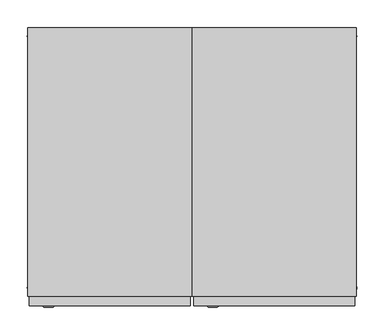
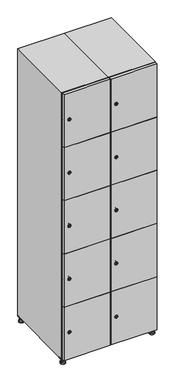
"""IFC4 building model written with IfcOpenShell, lengths in millimetres: furniture geometry."""

from ifc_helpers import new_model, si_unit, point, frame, frame_2d, origin, origin_with_axes, place, context, project, spatial, polyline, circle_curve, trimmed, segment, composite_curve, outline, extrude, faceted_brep, source, transform, mapped, element, save
from ifc_brep_helpers import plane_surface, revolved_surface, advanced_brep


def furniture_c391a74f(model_context):
    return source(origin(), model_context, "Body", "SolidModel", [
        extrude(outline(polyline([(400.0, 245.0), (400.0, 215.0), (370.0, 215.0), (370.0, 245.0), (400.0, 245.0)]), holes=[polyline([(398.0, 243.0), (372.0, 243.0), (372.0, 217.0), (398.0, 217.0), (398.0, 243.0)])]), frame((0.0, 0.0, 28.5), z_axis=(0.0, 0.0, 1.0), x_axis=(1.0, 0.0, 0.0)), (0.0, 0.0, 1.0), 6.5),
        extrude(outline(polyline([(370.0, -245.0), (370.0, -215.0), (400.0, -215.0), (400.0, -245.0), (370.0, -245.0)]), holes=[polyline([(372.0, -243.0), (398.0, -243.0), (398.0, -217.0), (372.0, -217.0), (372.0, -243.0)])]), frame((0.0, 0.0, 28.5), z_axis=(0.0, 0.0, 1.0), x_axis=(1.0, 0.0, 0.0)), (0.0, 0.0, 1.0), 6.5),
        extrude(outline(polyline([(-170.0, 245.0), (-170.0, 215.0), (-200.0, 215.0), (-200.0, 245.0), (-170.0, 245.0)]), holes=[polyline([(-172.0, 243.0), (-198.0, 243.0), (-198.0, 217.0), (-172.0, 217.0), (-172.0, 243.0)])]), frame((0.0, 0.0, 28.5), z_axis=(0.0, 0.0, 1.0), x_axis=(1.0, 0.0, 0.0)), (0.0, 0.0, 1.0), 6.5),
        extrude(outline(polyline([(-170.0, -215.0), (-170.0, -245.0), (-200.0, -245.0), (-200.0, -215.0), (-170.0, -215.0)]), holes=[polyline([(-198.0, -243.0), (-172.0, -243.0), (-172.0, -217.0), (-198.0, -217.0), (-198.0, -243.0)])]), frame((0.0, 0.0, 28.5), z_axis=(0.0, 0.0, 1.0), x_axis=(1.0, 0.0, 0.0)), (0.0, 0.0, 1.0), 6.5),
        extrude(outline(composite_curve([segment(trimmed(circle_curve(frame_2d((-185.0, 230.0)), 5.0), [point((-180.0, 230.0))], [point((-190.0, 230.0))], False, "CARTESIAN"), True, "CONTINUOUS"), segment(trimmed(circle_curve(frame_2d((-185.0, 230.0)), 5.0), [point((-190.0, 230.0))], [point((-180.0, 230.0))], False, "CARTESIAN"), True, "CONTINUOUS")], self_intersect=False)), frame((0.0, 0.0, 19.6), z_axis=(0.0, 0.0, 1.0), x_axis=(1.0, 0.0, 0.0)), (0.0, 0.0, 1.0), 15.4),
        extrude(outline(composite_curve([segment(trimmed(circle_curve(frame_2d((-185.0, -230.0)), 5.0), [point((-180.0, -230.0))], [point((-190.0, -230.0))], False, "CARTESIAN"), True, "CONTINUOUS"), segment(trimmed(circle_curve(frame_2d((-185.0, -230.0)), 5.0), [point((-190.0, -230.0))], [point((-180.0, -230.0))], False, "CARTESIAN"), True, "CONTINUOUS")], self_intersect=False)), frame((0.0, 0.0, 19.6), z_axis=(0.0, 0.0, 1.0), x_axis=(1.0, 0.0, 0.0)), (0.0, 0.0, 1.0), 15.4),
        extrude(outline(composite_curve([segment(trimmed(circle_curve(frame_2d((385.0, 230.0)), 5.0), [point((390.0, 230.0))], [point((380.0, 230.0))], False, "CARTESIAN"), True, "CONTINUOUS"), segment(trimmed(circle_curve(frame_2d((385.0, 230.0)), 5.0), [point((380.0, 230.0))], [point((390.0, 230.0))], False, "CARTESIAN"), True, "CONTINUOUS")], self_intersect=False)), frame((0.0, 0.0, 19.6), z_axis=(0.0, 0.0, 1.0), x_axis=(1.0, 0.0, 0.0)), (0.0, 0.0, 1.0), 15.4),
        extrude(outline(polyline([(373.4529946, 230.0), (379.2264973, 240.0), (390.7735027, 240.0), (396.5470054, 230.0), (390.7735027, 220.0), (379.2264973, 220.0), (373.4529946, 230.0)])), frame((0.0, 0.0, 13.6), z_axis=(0.0, 0.0, 1.0), x_axis=(1.0, 0.0, 0.0)), (0.0, 0.0, 1.0), 6.0),
        extrude(outline(composite_curve([segment(trimmed(circle_curve(frame_2d((385.0, -230.0)), 5.0), [point((390.0, -230.0))], [point((380.0, -230.0))], False, "CARTESIAN"), True, "CONTINUOUS"), segment(trimmed(circle_curve(frame_2d((385.0, -230.0)), 5.0), [point((380.0, -230.0))], [point((390.0, -230.0))], False, "CARTESIAN"), True, "CONTINUOUS")], self_intersect=False)), frame((0.0, 0.0, 19.6), z_axis=(0.0, 0.0, 1.0), x_axis=(1.0, 0.0, 0.0)), (0.0, 0.0, 1.0), 15.4),
        extrude(outline(polyline([(373.4529946, -230.0), (379.2264973, -220.0), (390.7735027, -220.0), (396.5470054, -230.0), (390.7735027, -240.0), (379.2264973, -240.0), (373.4529946, -230.0)])), frame((0.0, 0.0, 13.6), z_axis=(0.0, 0.0, 1.0), x_axis=(1.0, 0.0, 0.0)), (0.0, 0.0, 1.0), 6.0),
        extrude(outline(composite_curve([segment(trimmed(circle_curve(frame_2d((385.0, 230.0)), 5.0), [point((390.0, 230.0))], [point((380.0, 230.0))], False, "CARTESIAN"), True, "CONTINUOUS"), segment(trimmed(circle_curve(frame_2d((385.0, 230.0)), 5.0), [point((380.0, 230.0))], [point((390.0, 230.0))], False, "CARTESIAN"), True, "CONTINUOUS")], self_intersect=False)), frame((0.0, 0.0, 12.1), z_axis=(0.0, 0.0, 1.0), x_axis=(1.0, 0.0, 0.0)), (0.0, 0.0, 1.0), 1.5),
        extrude(outline(composite_curve([segment(trimmed(circle_curve(frame_2d((385.0, -230.0)), 5.0), [point((390.0, -230.0))], [point((380.0, -230.0))], False, "CARTESIAN"), True, "CONTINUOUS"), segment(trimmed(circle_curve(frame_2d((385.0, -230.0)), 5.0), [point((380.0, -230.0))], [point((390.0, -230.0))], False, "CARTESIAN"), True, "CONTINUOUS")], self_intersect=False)), frame((0.0, 0.0, 12.1), z_axis=(0.0, 0.0, 1.0), x_axis=(1.0, 0.0, 0.0)), (0.0, 0.0, 1.0), 1.5),
        extrude(outline(polyline([(-196.5470054, 230.0), (-190.7735027, 240.0), (-179.2264973, 240.0), (-173.4529946, 230.0), (-179.2264973, 220.0), (-190.7735027, 220.0), (-196.5470054, 230.0)])), frame((0.0, 0.0, 13.6), z_axis=(0.0, 0.0, 1.0), x_axis=(1.0, 0.0, 0.0)), (0.0, 0.0, 1.0), 6.0),
        extrude(outline(polyline([(-196.5470054, -230.0), (-190.7735027, -220.0), (-179.2264973, -220.0), (-173.4529946, -230.0), (-179.2264973, -240.0), (-190.7735027, -240.0), (-196.5470054, -230.0)])), frame((0.0, 0.0, 13.6), z_axis=(0.0, 0.0, 1.0), x_axis=(1.0, 0.0, 0.0)), (0.0, 0.0, 1.0), 6.0),
        extrude(outline(composite_curve([segment(trimmed(circle_curve(frame_2d((-185.0, 230.0)), 5.0), [point((-185.0, 235.0))], [point((-185.0, 225.0))], False, "CARTESIAN"), True, "CONTINUOUS"), segment(trimmed(circle_curve(frame_2d((-185.0, 230.0)), 5.0), [point((-185.0, 225.0))], [point((-185.0, 235.0))], False, "CARTESIAN"), True, "CONTINUOUS")], self_intersect=False)), frame((0.0, 0.0, 12.1), z_axis=(0.0, 0.0, 1.0), x_axis=(1.0, 0.0, 0.0)), (0.0, 0.0, 1.0), 1.5),
        extrude(outline(composite_curve([segment(trimmed(circle_curve(frame_2d((-185.0, -230.0)), 5.0), [point((-180.0, -230.0))], [point((-190.0, -230.0))], False, "CARTESIAN"), True, "CONTINUOUS"), segment(trimmed(circle_curve(frame_2d((-185.0, -230.0)), 5.0), [point((-190.0, -230.0))], [point((-180.0, -230.0))], False, "CARTESIAN"), True, "CONTINUOUS")], self_intersect=False)), frame((0.0, 0.0, 12.1), z_axis=(0.0, 0.0, 1.0), x_axis=(1.0, 0.0, 0.0)), (0.0, 0.0, 1.0), 1.5),
        extrude(outline(composite_curve([segment(trimmed(circle_curve(frame_2d((385.0, 230.0)), 15.75), [point((400.75, 230.0))], [point((369.25, 230.0))], False, "CARTESIAN"), True, "CONTINUOUS"), segment(trimmed(circle_curve(frame_2d((385.0, 230.0)), 15.75), [point((369.25, 230.0))], [point((400.75, 230.0))], False, "CARTESIAN"), True, "CONTINUOUS")], self_intersect=False)), origin_with_axes(), (0.0, 0.0, 1.0), 5.1),
        extrude(outline(composite_curve([segment(trimmed(circle_curve(frame_2d((385.0, -230.0)), 15.75), [point((385.0, -214.25))], [point((385.0, -245.75))], False, "CARTESIAN"), True, "CONTINUOUS"), segment(trimmed(circle_curve(frame_2d((385.0, -230.0)), 15.75), [point((385.0, -245.75))], [point((385.0, -214.25))], False, "CARTESIAN"), True, "CONTINUOUS")], self_intersect=False)), origin_with_axes(), (0.0, 0.0, 1.0), 5.1),
        extrude(outline(composite_curve([segment(trimmed(circle_curve(frame_2d((-185.0, -230.0)), 15.75), [point((-169.25, -230.0))], [point((-200.75, -230.0))], False, "CARTESIAN"), True, "CONTINUOUS"), segment(trimmed(circle_curve(frame_2d((-185.0, -230.0)), 15.75), [point((-200.75, -230.0))], [point((-169.25, -230.0))], False, "CARTESIAN"), True, "CONTINUOUS")], self_intersect=False)), origin_with_axes(), (0.0, 0.0, 1.0), 5.1),
        extrude(outline(composite_curve([segment(trimmed(circle_curve(frame_2d((-185.0, 230.0)), 15.75), [point((-169.25, 230.0))], [point((-200.75, 230.0))], False, "CARTESIAN"), True, "CONTINUOUS"), segment(trimmed(circle_curve(frame_2d((-185.0, 230.0)), 15.75), [point((-200.75, 230.0))], [point((-169.25, 230.0))], False, "CARTESIAN"), True, "CONTINUOUS")], self_intersect=False)), origin_with_axes(), (0.0, 0.0, 1.0), 5.1),
        advanced_brep(
        [(-185.0, 239.5, 12.1), (-185.0, 220.5, 12.1), (-185.0, 214.25, 5.1), (-185.0, 245.75, 5.1)],
        [
            (0, 1, circle_curve(frame((-185.0, 230.0, 12.1), z_axis=(0.0, 0.0, -1.0), x_axis=(0.0, 1.0, 0.0)), 9.5)),
            (1, 2),
            (2, 3, circle_curve(frame((-185.0, 230.0, 5.1), z_axis=(0.0, 0.0, 1.0), x_axis=(0.0, 1.0, 0.0)), 15.75)),
            (3, 0),
            (1, 0, circle_curve(frame((-185.0, 230.0, 12.1), z_axis=(0.0, 0.0, -1.0), x_axis=(0.0, -1.0, 0.0)), 9.5)),
            (3, 2, circle_curve(frame((-185.0, 230.0, 5.1), z_axis=(0.0, 0.0, 1.0), x_axis=(0.0, -1.0, 0.0)), 15.75)),
        ],
        [
            revolved_surface(polyline([(-185.0, 220.5, 12.099999999999998), (-185.0, 214.25, 5.099999999999998)]), (-185.0, 230.0, 22.74), (0.0, 0.0, -1.0)),
            revolved_surface(polyline([(-185.0, 239.5, 12.099999999999998), (-185.0, 245.75, 5.099999999999998)]), (-185.0, 230.0, 22.74), (0.0, 0.0, -1.0)),
            plane_surface(frame((-185.0, 230.0, 5.1), z_axis=(0.0, 0.0, -1.0), x_axis=(1.0, 0.0, 0.0))),
            plane_surface(frame((-185.0, 230.0, 12.1), z_axis=(0.0, 0.0, 1.0), x_axis=(1.0, 0.0, 0.0))),
        ],
        [
            (0, [[1, 2, 3, 4]]),
            (1, [[5, -4, 6, -2]]),
            (2, [[-3, -6]]),
            (3, [[-5, -1]]),
        ],
    ),
        advanced_brep(
        [(385.0, 239.5, 12.1), (385.0, 220.5, 12.1), (385.0, 214.25, 5.1), (385.0, 245.75, 5.1)],
        [
            (0, 1, circle_curve(frame((385.0, 230.0, 12.1), z_axis=(0.0, 0.0, -1.0), x_axis=(0.0, 1.0, 0.0)), 9.5)),
            (1, 2),
            (2, 3, circle_curve(frame((385.0, 230.0, 5.1), z_axis=(0.0, 0.0, 1.0), x_axis=(0.0, 1.0, 0.0)), 15.75)),
            (3, 0),
            (1, 0, circle_curve(frame((385.0, 230.0, 12.1), z_axis=(0.0, 0.0, -1.0), x_axis=(0.0, -1.0, 0.0)), 9.5)),
            (3, 2, circle_curve(frame((385.0, 230.0, 5.1), z_axis=(0.0, 0.0, 1.0), x_axis=(0.0, -1.0, 0.0)), 15.75)),
        ],
        [
            revolved_surface(polyline([(385.0, 220.5, 12.099999999999998), (385.0, 214.25, 5.099999999999998)]), (385.0, 230.0, 22.74), (0.0, 0.0, -1.0)),
            revolved_surface(polyline([(385.0, 239.5, 12.099999999999998), (385.0, 245.75, 5.099999999999998)]), (385.0, 230.0, 22.74), (0.0, 0.0, -1.0)),
            plane_surface(frame((385.0, 230.0, 5.1), z_axis=(0.0, 0.0, -1.0), x_axis=(1.0, 0.0, 0.0))),
            plane_surface(frame((385.0, 230.0, 12.1), z_axis=(0.0, 0.0, 1.0), x_axis=(1.0, 0.0, 0.0))),
        ],
        [
            (0, [[1, 2, 3, 4]]),
            (1, [[5, -4, 6, -2]]),
            (2, [[-3, -6]]),
            (3, [[-5, -1]]),
        ],
    ),
        advanced_brep(
        [(400.75, -230.0, 5.1), (369.25, -230.0, 5.1), (375.5, -230.0, 12.1), (394.5, -230.0, 12.1)],
        [
            (0, 1, circle_curve(frame((385.0, -230.0, 5.1), z_axis=(0.0, 0.0, 1.0), x_axis=(1.0, 0.0, 0.0)), 15.75)),
            (1, 2),
            (2, 3, circle_curve(frame((385.0, -230.0, 12.1), z_axis=(0.0, 0.0, -1.0), x_axis=(1.0, 0.0, 0.0)), 9.5)),
            (3, 0),
            (1, 0, circle_curve(frame((385.0, -230.0, 5.1), z_axis=(0.0, 0.0, 1.0), x_axis=(-1.0, 0.0, 0.0)), 15.75)),
            (3, 2, circle_curve(frame((385.0, -230.0, 12.1), z_axis=(0.0, 0.0, -1.0), x_axis=(-1.0, 0.0, 0.0)), 9.5)),
        ],
        [
            revolved_surface(polyline([(394.5, -230.0, 12.099999999999998), (400.75, -230.0, 5.099999999999998)]), (385.0, -230.0, 22.74), (0.0, 0.0, -1.0)),
            revolved_surface(polyline([(375.5, -230.0, 12.099999999999998), (369.25, -230.0, 5.099999999999998)]), (385.0, -230.0, 22.74), (0.0, 0.0, -1.0)),
            plane_surface(frame((385.0, -230.0, 12.1), z_axis=(0.0, 0.0, 1.0), x_axis=(0.0, 1.0, 0.0))),
            plane_surface(frame((385.0, -230.0, 5.1), z_axis=(0.0, 0.0, -1.0), x_axis=(0.0, 1.0, 0.0))),
        ],
        [
            (0, [[1, 2, 3, 4]]),
            (1, [[5, -4, 6, -2]]),
            (2, [[-3, -6]]),
            (3, [[-5, -1]]),
        ],
    ),
        advanced_brep(
        [(-169.25, -230.0, 5.1), (-200.75, -230.0, 5.1), (-194.5, -230.0, 12.1), (-175.5, -230.0, 12.1)],
        [
            (0, 1, circle_curve(frame((-185.0, -230.0, 5.1), z_axis=(0.0, 0.0, 1.0), x_axis=(1.0, 0.0, 0.0)), 15.75)),
            (1, 2),
            (2, 3, circle_curve(frame((-185.0, -230.0, 12.1), z_axis=(0.0, 0.0, -1.0), x_axis=(1.0, 0.0, 0.0)), 9.5)),
            (3, 0),
            (1, 0, circle_curve(frame((-185.0, -230.0, 5.1), z_axis=(0.0, 0.0, 1.0), x_axis=(-1.0, 0.0, 0.0)), 15.75)),
            (3, 2, circle_curve(frame((-185.0, -230.0, 12.1), z_axis=(0.0, 0.0, -1.0), x_axis=(-1.0, 0.0, 0.0)), 9.5)),
        ],
        [
            revolved_surface(polyline([(-175.5, -230.0, 12.099999999999998), (-169.25, -230.0, 5.099999999999998)]), (-185.0, -230.0, 22.74), (0.0, 0.0, -1.0)),
            revolved_surface(polyline([(-194.5, -230.0, 12.099999999999998), (-200.75, -230.0, 5.099999999999998)]), (-185.0, -230.0, 22.74), (0.0, 0.0, -1.0)),
            plane_surface(frame((-185.0, -230.0, 12.1), z_axis=(0.0, 0.0, 1.0), x_axis=(0.0, 1.0, 0.0))),
            plane_surface(frame((-185.0, -230.0, 5.1), z_axis=(0.0, 0.0, -1.0), x_axis=(0.0, 1.0, 0.0))),
        ],
        [
            (0, [[1, 2, 3, 4]]),
            (1, [[5, -4, 6, -2]]),
            (2, [[-3, -6]]),
            (3, [[-5, -1]]),
        ],
    ),
        extrude(outline(composite_curve([segment(trimmed(circle_curve(frame_2d((217.4, 111.2010534)), 7.0), [point((224.4, 111.2010534))], [point((210.4, 111.2010534))], False, "CARTESIAN"), True, "CONTINUOUS"), segment(polyline([(210.4, 111.2010534), (210.4, 139.2010534)]), True, "CONTINUOUS"), segment(trimmed(circle_curve(frame_2d((217.4, 139.2010534)), 7.0), [point((210.4, 139.2010534))], [point((224.4, 139.2010534))], False, "CARTESIAN"), True, "CONTINUOUS"), segment(polyline([(224.4, 139.2010534), (224.4, 111.2010534)]), True, "CONTINUOUS")], self_intersect=False)), frame((0.0, -245.0, 0.0), z_axis=(0.0, 1.0, 0.0), x_axis=(0.0, 0.0, 1.0)), (0.0, 0.0, 1.0), 2.0),
        advanced_brep(
        [(146.5, -265.2, 217.4), (129.5, -265.2, 217.4), (133.0, -265.2, 216.15), (133.0, -265.2, 218.65), (143.0, -265.2, 218.65), (143.0, -265.2, 216.15), (148.5, -263.0, 217.4), (127.5, -263.0, 217.4), (133.0, -263.0, 218.65), (133.0, -263.0, 216.15), (143.0, -263.0, 216.15), (143.0, -263.0, 218.65)],
        [
            (0, 1, circle_curve(frame((138.0, -265.2, 217.4), z_axis=(0.0, -1.0, 0.0), x_axis=(1.0, 0.0, 0.0)), 8.5)),
            (1, 0, circle_curve(frame((138.0, -265.2, 217.4), z_axis=(0.0, -1.0, 0.0), x_axis=(-1.0, 0.0, 0.0)), 8.5)),
            (2, 3),
            (3, 4),
            (4, 5),
            (5, 2),
            (6, 7, circle_curve(frame((138.0, -263.0, 217.4), z_axis=(0.0, 1.0, 0.0), x_axis=(-1.0, 0.0, 0.0)), 10.5)),
            (7, 6, circle_curve(frame((138.0, -263.0, 217.4), z_axis=(0.0, 1.0, 0.0), x_axis=(1.0, 0.0, 0.0)), 10.5)),
            (8, 9),
            (9, 10),
            (10, 11),
            (11, 8),
            (0, 6),
            (7, 1),
            (8, 3),
            (2, 9),
            (11, 4),
            (10, 5),
        ],
        [
            plane_surface(frame((138.0, -265.2, 217.4), z_axis=(0.0, -1.0, 0.0), x_axis=(0.0, 0.0, 1.0))),
            plane_surface(frame((138.0, -263.0, 217.4), z_axis=(0.0, 1.0, 0.0), x_axis=(0.0, 0.0, 1.0))),
            revolved_surface(polyline([(146.5, -265.2, 217.4), (148.5, -263.0, 217.4)]), (138.0, -274.55, 217.4), (0.0, 1.0, 0.0)),
            revolved_surface(polyline([(129.5, -265.2, 217.4), (127.5, -263.0, 217.4)]), (138.0, -274.55, 217.4), (0.0, 1.0, 0.0)),
            plane_surface(frame((133.0, -263.0, 216.15), z_axis=(1.0, 0.0, 0.0), x_axis=(0.0, -1.0, 0.0))),
            plane_surface(frame((133.0, -263.0, 218.65), z_axis=(0.0, 0.0, -1.0), x_axis=(0.0, -1.0, 0.0))),
            plane_surface(frame((143.0, -263.0, 218.65), z_axis=(-1.0, 0.0, 0.0), x_axis=(0.0, -1.0, 0.0))),
            plane_surface(frame((143.0, -263.0, 216.15), z_axis=(0.0, 0.0, 1.0), x_axis=(0.0, -1.0, 0.0))),
        ],
        [
            (0, [[1, 2], [3, 4, 5, 6]]),
            (1, [[7, 8], [9, 10, 11, 12]]),
            (2, [[-1, 13, -8, 14]]),
            (3, [[-2, -14, -7, -13]]),
            (4, [[15, -3, 16, -9]]),
            (5, [[-15, -12, 17, -4]]),
            (6, [[-17, -11, 18, -5]]),
            (7, [[-16, -6, -18, -10]]),
        ],
    ),
        extrude(outline(composite_curve([segment(trimmed(circle_curve(frame_2d((576.2, 111.2010534)), 7.0), [point((583.2, 111.2010534))], [point((569.2, 111.2010534))], False, "CARTESIAN"), True, "CONTINUOUS"), segment(polyline([(569.2, 111.2010534), (569.2, 139.2010534)]), True, "CONTINUOUS"), segment(trimmed(circle_curve(frame_2d((576.2, 139.2010534)), 7.0), [point((569.2, 139.2010534))], [point((583.2, 139.2010534))], False, "CARTESIAN"), True, "CONTINUOUS"), segment(polyline([(583.2, 139.2010534), (583.2, 111.2010534)]), True, "CONTINUOUS")], self_intersect=False)), frame((0.0, -245.0, 0.0), z_axis=(0.0, 1.0, 0.0), x_axis=(0.0, 0.0, 1.0)), (0.0, 0.0, 1.0), 2.0),
        advanced_brep(
        [(146.5, -265.2, 576.2), (129.5, -265.2, 576.2), (133.0, -265.2, 574.95), (133.0, -265.2, 577.45), (143.0, -265.2, 577.45), (143.0, -265.2, 574.95), (148.5, -263.0, 576.2), (127.5, -263.0, 576.2), (133.0, -263.0, 577.45), (133.0, -263.0, 574.95), (143.0, -263.0, 574.95), (143.0, -263.0, 577.45)],
        [
            (0, 1, circle_curve(frame((138.0, -265.2, 576.2), z_axis=(0.0, -1.0, 0.0), x_axis=(1.0, 0.0, 0.0)), 8.5)),
            (1, 0, circle_curve(frame((138.0, -265.2, 576.2), z_axis=(0.0, -1.0, 0.0), x_axis=(-1.0, 0.0, 0.0)), 8.5)),
            (2, 3),
            (3, 4),
            (4, 5),
            (5, 2),
            (6, 7, circle_curve(frame((138.0, -263.0, 576.2), z_axis=(0.0, 1.0, 0.0), x_axis=(-1.0, 0.0, 0.0)), 10.5)),
            (7, 6, circle_curve(frame((138.0, -263.0, 576.2), z_axis=(0.0, 1.0, 0.0), x_axis=(1.0, 0.0, 0.0)), 10.5)),
            (8, 9),
            (9, 10),
            (10, 11),
            (11, 8),
            (0, 6),
            (7, 1),
            (8, 3),
            (2, 9),
            (11, 4),
            (10, 5),
        ],
        [
            plane_surface(frame((138.0, -265.2, 576.2), z_axis=(0.0, -1.0, 0.0), x_axis=(0.0, 0.0, 1.0))),
            plane_surface(frame((138.0, -263.0, 576.2), z_axis=(0.0, 1.0, 0.0), x_axis=(0.0, 0.0, 1.0))),
            revolved_surface(polyline([(146.5, -265.2, 576.2), (148.5, -263.0, 576.2)]), (138.0, -274.55, 576.2), (0.0, 1.0, 0.0)),
            revolved_surface(polyline([(129.5, -265.2, 576.2), (127.5, -263.0, 576.2)]), (138.0, -274.55, 576.2), (0.0, 1.0, 0.0)),
            plane_surface(frame((133.0, -263.0, 574.95), z_axis=(1.0, 0.0, 0.0), x_axis=(0.0, -1.0, 0.0))),
            plane_surface(frame((133.0, -263.0, 577.45), z_axis=(0.0, 0.0, -1.0), x_axis=(0.0, -1.0, 0.0))),
            plane_surface(frame((143.0, -263.0, 577.45), z_axis=(-1.0, 0.0, 0.0), x_axis=(0.0, -1.0, 0.0))),
            plane_surface(frame((143.0, -263.0, 574.95), z_axis=(0.0, 0.0, 1.0), x_axis=(0.0, -1.0, 0.0))),
        ],
        [
            (0, [[1, 2], [3, 4, 5, 6]]),
            (1, [[7, 8], [9, 10, 11, 12]]),
            (2, [[-1, 13, -8, 14]]),
            (3, [[-2, -14, -7, -13]]),
            (4, [[15, -3, 16, -9]]),
            (5, [[-15, -12, 17, -4]]),
            (6, [[-17, -11, 18, -5]]),
            (7, [[-16, -6, -18, -10]]),
        ],
    ),
        extrude(outline(composite_curve([segment(trimmed(circle_curve(frame_2d((935.0, 111.2010534)), 7.0), [point((942.0, 111.2010534))], [point((928.0, 111.2010534))], False, "CARTESIAN"), True, "CONTINUOUS"), segment(polyline([(928.0, 111.2010534), (928.0, 139.2010534)]), True, "CONTINUOUS"), segment(trimmed(circle_curve(frame_2d((935.0, 139.2010534)), 7.0), [point((928.0, 139.2010534))], [point((942.0, 139.2010534))], False, "CARTESIAN"), True, "CONTINUOUS"), segment(polyline([(942.0, 139.2010534), (942.0, 111.2010534)]), True, "CONTINUOUS")], self_intersect=False)), frame((0.0, -245.0, 0.0), z_axis=(0.0, 1.0, 0.0), x_axis=(0.0, 0.0, 1.0)), (0.0, 0.0, 1.0), 2.0),
        advanced_brep(
        [(146.5, -265.2, 935.0), (129.5, -265.2, 935.0), (133.0, -265.2, 933.75), (133.0, -265.2, 936.25), (143.0, -265.2, 936.25), (143.0, -265.2, 933.75), (148.5, -263.0, 935.0), (127.5, -263.0, 935.0), (133.0, -263.0, 936.25), (133.0, -263.0, 933.75), (143.0, -263.0, 933.75), (143.0, -263.0, 936.25)],
        [
            (0, 1, circle_curve(frame((138.0, -265.2, 935.0), z_axis=(0.0, -1.0, 0.0), x_axis=(1.0, 0.0, 0.0)), 8.5)),
            (1, 0, circle_curve(frame((138.0, -265.2, 935.0), z_axis=(0.0, -1.0, 0.0), x_axis=(-1.0, 0.0, 0.0)), 8.5)),
            (2, 3),
            (3, 4),
            (4, 5),
            (5, 2),
            (6, 7, circle_curve(frame((138.0, -263.0, 935.0), z_axis=(0.0, 1.0, 0.0), x_axis=(-1.0, 0.0, 0.0)), 10.5)),
            (7, 6, circle_curve(frame((138.0, -263.0, 935.0), z_axis=(0.0, 1.0, 0.0), x_axis=(1.0, 0.0, 0.0)), 10.5)),
            (8, 9),
            (9, 10),
            (10, 11),
            (11, 8),
            (0, 6),
            (7, 1),
            (8, 3),
            (2, 9),
            (11, 4),
            (10, 5),
        ],
        [
            plane_surface(frame((138.0, -265.2, 935.0), z_axis=(0.0, -1.0, 0.0), x_axis=(0.0, 0.0, 1.0))),
            plane_surface(frame((138.0, -263.0, 935.0), z_axis=(0.0, 1.0, 0.0), x_axis=(0.0, 0.0, 1.0))),
            revolved_surface(polyline([(146.5, -265.2, 935.0), (148.5, -263.0, 935.0)]), (138.0, -274.55, 935.0), (0.0, 1.0, 0.0)),
            revolved_surface(polyline([(129.5, -265.2, 935.0), (127.5, -263.0, 935.0)]), (138.0, -274.55, 935.0), (0.0, 1.0, 0.0)),
            plane_surface(frame((133.0, -263.0, 933.75), z_axis=(1.0, 0.0, 0.0), x_axis=(0.0, -1.0, 0.0))),
            plane_surface(frame((133.0, -263.0, 936.25), z_axis=(0.0, 0.0, -1.0), x_axis=(0.0, -1.0, 0.0))),
            plane_surface(frame((143.0, -263.0, 936.25), z_axis=(-1.0, 0.0, 0.0), x_axis=(0.0, -1.0, 0.0))),
            plane_surface(frame((143.0, -263.0, 933.75), z_axis=(0.0, 0.0, 1.0), x_axis=(0.0, -1.0, 0.0))),
        ],
        [
            (0, [[1, 2], [3, 4, 5, 6]]),
            (1, [[7, 8], [9, 10, 11, 12]]),
            (2, [[-1, 13, -8, 14]]),
            (3, [[-2, -14, -7, -13]]),
            (4, [[15, -3, 16, -9]]),
            (5, [[-15, -12, 17, -4]]),
            (6, [[-17, -11, 18, -5]]),
            (7, [[-16, -6, -18, -10]]),
        ],
    ),
        extrude(outline(composite_curve([segment(trimmed(circle_curve(frame_2d((1293.8, 111.2010534)), 7.0), [point((1300.8, 111.2010534))], [point((1286.8, 111.2010534))], False, "CARTESIAN"), True, "CONTINUOUS"), segment(polyline([(1286.8, 111.2010534), (1286.8, 139.2010534)]), True, "CONTINUOUS"), segment(trimmed(circle_curve(frame_2d((1293.8, 139.2010534)), 7.0), [point((1286.8, 139.2010534))], [point((1300.8, 139.2010534))], False, "CARTESIAN"), True, "CONTINUOUS"), segment(polyline([(1300.8, 139.2010534), (1300.8, 111.2010534)]), True, "CONTINUOUS")], self_intersect=False)), frame((0.0, -245.0, 0.0), z_axis=(0.0, 1.0, 0.0), x_axis=(0.0, 0.0, 1.0)), (0.0, 0.0, 1.0), 2.0),
        advanced_brep(
        [(146.5, -265.2, 1293.8), (129.5, -265.2, 1293.8), (133.0, -265.2, 1292.55), (133.0, -265.2, 1295.05), (143.0, -265.2, 1295.05), (143.0, -265.2, 1292.55), (148.5, -263.0, 1293.8), (127.5, -263.0, 1293.8), (133.0, -263.0, 1295.05), (133.0, -263.0, 1292.55), (143.0, -263.0, 1292.55), (143.0, -263.0, 1295.05)],
        [
            (0, 1, circle_curve(frame((138.0, -265.2, 1293.8), z_axis=(0.0, -1.0, 0.0), x_axis=(1.0, 0.0, 0.0)), 8.5)),
            (1, 0, circle_curve(frame((138.0, -265.2, 1293.8), z_axis=(0.0, -1.0, 0.0), x_axis=(-1.0, 0.0, 0.0)), 8.5)),
            (2, 3),
            (3, 4),
            (4, 5),
            (5, 2),
            (6, 7, circle_curve(frame((138.0, -263.0, 1293.8), z_axis=(0.0, 1.0, 0.0), x_axis=(-1.0, 0.0, 0.0)), 10.5)),
            (7, 6, circle_curve(frame((138.0, -263.0, 1293.8), z_axis=(0.0, 1.0, 0.0), x_axis=(1.0, 0.0, 0.0)), 10.5)),
            (8, 9),
            (9, 10),
            (10, 11),
            (11, 8),
            (0, 6),
            (7, 1),
            (8, 3),
            (2, 9),
            (11, 4),
            (10, 5),
        ],
        [
            plane_surface(frame((138.0, -265.2, 1293.8), z_axis=(0.0, -1.0, 0.0), x_axis=(0.0, 0.0, 1.0))),
            plane_surface(frame((138.0, -263.0, 1293.8), z_axis=(0.0, 1.0, 0.0), x_axis=(0.0, 0.0, 1.0))),
            revolved_surface(polyline([(146.5, -265.2, 1293.8), (148.5, -263.0, 1293.8)]), (138.0, -274.55, 1293.8), (0.0, 1.0, 0.0)),
            revolved_surface(polyline([(129.5, -265.2, 1293.8), (127.5, -263.0, 1293.8)]), (138.0, -274.55, 1293.8), (0.0, 1.0, 0.0)),
            plane_surface(frame((133.0, -263.0, 1292.55), z_axis=(1.0, 0.0, 0.0), x_axis=(0.0, -1.0, 0.0))),
            plane_surface(frame((133.0, -263.0, 1295.05), z_axis=(0.0, 0.0, -1.0), x_axis=(0.0, -1.0, 0.0))),
            plane_surface(frame((143.0, -263.0, 1295.05), z_axis=(-1.0, 0.0, 0.0), x_axis=(0.0, -1.0, 0.0))),
            plane_surface(frame((143.0, -263.0, 1292.55), z_axis=(0.0, 0.0, 1.0), x_axis=(0.0, -1.0, 0.0))),
        ],
        [
            (0, [[1, 2], [3, 4, 5, 6]]),
            (1, [[7, 8], [9, 10, 11, 12]]),
            (2, [[-1, 13, -8, 14]]),
            (3, [[-2, -14, -7, -13]]),
            (4, [[15, -3, 16, -9]]),
            (5, [[-15, -12, 17, -4]]),
            (6, [[-17, -11, 18, -5]]),
            (7, [[-16, -6, -18, -10]]),
        ],
    ),
        extrude(outline(composite_curve([segment(trimmed(circle_curve(frame_2d((1652.6, 111.2010534)), 7.0), [point((1659.6, 111.2010534))], [point((1645.6, 111.2010534))], False, "CARTESIAN"), True, "CONTINUOUS"), segment(polyline([(1645.6, 111.2010534), (1645.6, 139.2010534)]), True, "CONTINUOUS"), segment(trimmed(circle_curve(frame_2d((1652.6, 139.2010534)), 7.0), [point((1645.6, 139.2010534))], [point((1659.6, 139.2010534))], False, "CARTESIAN"), True, "CONTINUOUS"), segment(polyline([(1659.6, 139.2010534), (1659.6, 111.2010534)]), True, "CONTINUOUS")], self_intersect=False)), frame((0.0, -245.0, 0.0), z_axis=(0.0, 1.0, 0.0), x_axis=(0.0, 0.0, 1.0)), (0.0, 0.0, 1.0), 2.0),
        advanced_brep(
        [(146.5, -265.2, 1652.6), (129.5, -265.2, 1652.6), (133.0, -265.2, 1651.35), (133.0, -265.2, 1653.85), (143.0, -265.2, 1653.85), (143.0, -265.2, 1651.35), (148.5, -263.0, 1652.6), (127.5, -263.0, 1652.6), (133.0, -263.0, 1653.85), (133.0, -263.0, 1651.35), (143.0, -263.0, 1651.35), (143.0, -263.0, 1653.85)],
        [
            (0, 1, circle_curve(frame((138.0, -265.2, 1652.6), z_axis=(0.0, -1.0, 0.0), x_axis=(1.0, 0.0, 0.0)), 8.5)),
            (1, 0, circle_curve(frame((138.0, -265.2, 1652.6), z_axis=(0.0, -1.0, 0.0), x_axis=(-1.0, 0.0, 0.0)), 8.5)),
            (2, 3),
            (3, 4),
            (4, 5),
            (5, 2),
            (6, 7, circle_curve(frame((138.0, -263.0, 1652.6), z_axis=(0.0, 1.0, 0.0), x_axis=(-1.0, 0.0, 0.0)), 10.5)),
            (7, 6, circle_curve(frame((138.0, -263.0, 1652.6), z_axis=(0.0, 1.0, 0.0), x_axis=(1.0, 0.0, 0.0)), 10.5)),
            (8, 9),
            (9, 10),
            (10, 11),
            (11, 8),
            (0, 6),
            (7, 1),
            (8, 3),
            (2, 9),
            (11, 4),
            (10, 5),
        ],
        [
            plane_surface(frame((138.0, -265.2, 1652.6), z_axis=(0.0, -1.0, 0.0), x_axis=(0.0, 0.0, 1.0))),
            plane_surface(frame((138.0, -263.0, 1652.6), z_axis=(0.0, 1.0, 0.0), x_axis=(0.0, 0.0, 1.0))),
            revolved_surface(polyline([(146.5, -265.2, 1652.6), (148.5, -263.0, 1652.6)]), (138.0, -274.55, 1652.6), (0.0, 1.0, 0.0)),
            revolved_surface(polyline([(129.5, -265.2, 1652.6), (127.5, -263.0, 1652.6)]), (138.0, -274.55, 1652.6), (0.0, 1.0, 0.0)),
            plane_surface(frame((133.0, -263.0, 1651.35), z_axis=(1.0, 0.0, 0.0), x_axis=(0.0, -1.0, 0.0))),
            plane_surface(frame((133.0, -263.0, 1653.85), z_axis=(0.0, 0.0, -1.0), x_axis=(0.0, -1.0, 0.0))),
            plane_surface(frame((143.0, -263.0, 1653.85), z_axis=(-1.0, 0.0, 0.0), x_axis=(0.0, -1.0, 0.0))),
            plane_surface(frame((143.0, -263.0, 1651.35), z_axis=(0.0, 0.0, 1.0), x_axis=(0.0, -1.0, 0.0))),
        ],
        [
            (0, [[1, 2], [3, 4, 5, 6]]),
            (1, [[7, 8], [9, 10, 11, 12]]),
            (2, [[-1, 13, -8, 14]]),
            (3, [[-2, -14, -7, -13]]),
            (4, [[15, -3, 16, -9]]),
            (5, [[-15, -12, 17, -4]]),
            (6, [[-17, -11, 18, -5]]),
            (7, [[-16, -6, -18, -10]]),
        ],
    ),
        extrude(outline(polyline([(397.0, -245.0), (397.0, -263.0), (103.0, -263.0), (103.0, -245.0), (397.0, -245.0)])), frame((0.0, 0.0, 755.1), z_axis=(0.0, 0.0, 1.0), x_axis=(1.0, 0.0, 0.0)), (0.0, 0.0, 1.0), 359.8),
        extrude(outline(polyline([(397.0, -245.0), (397.0, -263.0), (103.0, -263.0), (103.0, -245.0), (397.0, -245.0)])), frame((0.0, 0.0, 396.3), z_axis=(0.0, 0.0, 1.0), x_axis=(1.0, 0.0, 0.0)), (0.0, 0.0, 1.0), 359.8),
        extrude(outline(polyline([(397.0, -245.0), (397.0, -263.0), (103.0, -263.0), (103.0, -245.0), (397.0, -245.0)])), frame((0.0, 0.0, 1113.9), z_axis=(0.0, 0.0, 1.0), x_axis=(1.0, 0.0, 0.0)), (0.0, 0.0, 1.0), 358.8),
        extrude(outline(polyline([(103.0, -263.0), (103.0, -245.0), (397.0, -245.0), (397.0, -263.0), (103.0, -263.0)])), frame((0.0, 0.0, 1473.7), z_axis=(0.0, 0.0, 1.0), x_axis=(1.0, 0.0, 0.0)), (0.0, 0.0, 1.0), 358.3),
        extrude(outline(polyline([(397.0, -245.0), (397.0, -263.0), (103.0, -263.0), (103.0, -245.0), (397.0, -245.0)])), frame((0.0, 0.0, 38.0), z_axis=(0.0, 0.0, 1.0), x_axis=(1.0, 0.0, 0.0)), (0.0, 0.0, 1.0), 359.3),
        extrude(outline(polyline([(379.6, 242.0), (379.6, -227.0), (120.4, -227.0), (120.4, 242.0), (379.6, 242.0)])), frame((0.0, 0.0, 1446.68), z_axis=(0.0, 0.0, 1.0), x_axis=(1.0, 0.0, 0.0)), (0.0, 0.0, 1.0), 20.4),
        extrude(outline(polyline([(379.6, 242.0), (379.6, -227.0), (120.4, -227.0), (120.4, 242.0), (379.6, 242.0)])), frame((0.0, 0.0, 1098.76), z_axis=(0.0, 0.0, 1.0), x_axis=(1.0, 0.0, 0.0)), (0.0, 0.0, 1.0), 20.4),
        extrude(outline(polyline([(379.6, 242.0), (379.6, -227.0), (120.4, -227.0), (120.4, 242.0), (379.6, 242.0)])), frame((0.0, 0.0, 750.84), z_axis=(0.0, 0.0, 1.0), x_axis=(1.0, 0.0, 0.0)), (0.0, 0.0, 1.0), 20.4),
        extrude(outline(polyline([(120.4, 242.0), (379.6, 242.0), (379.6, -227.0), (120.4, -227.0), (120.4, 242.0)])), frame((0.0, 0.0, 402.92), z_axis=(0.0, 0.0, 1.0), x_axis=(1.0, 0.0, 0.0)), (0.0, 0.0, 1.0), 20.4),
        faceted_brep([(400.0, -245.0, 35.0), (400.0, -245.0, 1835.0), (100.0, -245.0, 1835.0), (100.0, -245.0, 35.0), (379.6, -245.0, 1804.8), (379.6, -245.0, 65.2), (120.4, -245.0, 65.2), (120.4, -245.0, 1804.8), (400.0, 245.0, 35.0), (100.0, 245.0, 35.0), (400.0, 245.0, 1835.0), (100.0, 245.0, 1835.0), (379.6, 242.0, 1804.8), (379.6, 242.0, 65.2), (100.0, 245.0, 1804.8), (120.4, 242.0, 1804.8), (120.4, 242.0, 65.2)], [[[0, 1, 2, 3], [4, 5, 6, 7]], [[8, 0, 3, 9]], [[1, 0, 8, 10]], [[1, 10, 11, 2]], [[4, 12, 13, 5]], [[9, 3, 2, 11, 14]], [[10, 8, 9, 14, 11]], [[12, 15, 16, 13]], [[15, 7, 6, 16]], [[4, 7, 15, 12]], [[6, 5, 13, 16]]]),
        extrude(outline(composite_curve([segment(trimmed(circle_curve(frame_2d((217.4, -188.7989466)), 7.0), [point((224.4, -188.7989466))], [point((210.4, -188.7989466))], False, "CARTESIAN"), True, "CONTINUOUS"), segment(polyline([(210.4, -188.7989466), (210.4, -160.7989466)]), True, "CONTINUOUS"), segment(trimmed(circle_curve(frame_2d((217.4, -160.7989466)), 7.0), [point((210.4, -160.7989466))], [point((224.4, -160.7989466))], False, "CARTESIAN"), True, "CONTINUOUS"), segment(polyline([(224.4, -160.7989466), (224.4, -188.7989466)]), True, "CONTINUOUS")], self_intersect=False)), frame((0.0, -245.0, 0.0), z_axis=(0.0, 1.0, 0.0), x_axis=(0.0, 0.0, 1.0)), (0.0, 0.0, 1.0), 2.0),
        advanced_brep(
        [(-153.5, -265.2, 217.4), (-170.5, -265.2, 217.4), (-167.0, -265.2, 216.15), (-167.0, -265.2, 218.65), (-157.0, -265.2, 218.65), (-157.0, -265.2, 216.15), (-151.5, -263.0, 217.4), (-172.5, -263.0, 217.4), (-167.0, -263.0, 218.65), (-167.0, -263.0, 216.15), (-157.0, -263.0, 216.15), (-157.0, -263.0, 218.65)],
        [
            (0, 1, circle_curve(frame((-162.0, -265.2, 217.4), z_axis=(0.0, -1.0, 0.0), x_axis=(1.0, 0.0, 0.0)), 8.5)),
            (1, 0, circle_curve(frame((-162.0, -265.2, 217.4), z_axis=(0.0, -1.0, 0.0), x_axis=(-1.0, 0.0, 0.0)), 8.5)),
            (2, 3),
            (3, 4),
            (4, 5),
            (5, 2),
            (6, 7, circle_curve(frame((-162.0, -263.0, 217.4), z_axis=(0.0, 1.0, 0.0), x_axis=(-1.0, 0.0, 0.0)), 10.5)),
            (7, 6, circle_curve(frame((-162.0, -263.0, 217.4), z_axis=(0.0, 1.0, 0.0), x_axis=(1.0, 0.0, 0.0)), 10.5)),
            (8, 9),
            (9, 10),
            (10, 11),
            (11, 8),
            (0, 6),
            (7, 1),
            (8, 3),
            (2, 9),
            (11, 4),
            (10, 5),
        ],
        [
            plane_surface(frame((-162.0, -265.2, 217.4), z_axis=(0.0, -1.0, 0.0), x_axis=(0.0, 0.0, 1.0))),
            plane_surface(frame((-162.0, -263.0, 217.4), z_axis=(0.0, 1.0, 0.0), x_axis=(0.0, 0.0, 1.0))),
            revolved_surface(polyline([(-153.5, -265.2, 217.4), (-151.5, -263.0, 217.4)]), (-162.0, -274.55, 217.4), (0.0, 1.0, 0.0)),
            revolved_surface(polyline([(-170.5, -265.2, 217.4), (-172.5, -263.0, 217.4)]), (-162.0, -274.55, 217.4), (0.0, 1.0, 0.0)),
            plane_surface(frame((-167.0, -263.0, 216.15), z_axis=(1.0, 0.0, 0.0), x_axis=(0.0, -1.0, 0.0))),
            plane_surface(frame((-167.0, -263.0, 218.65), z_axis=(0.0, 0.0, -1.0), x_axis=(0.0, -1.0, 0.0))),
            plane_surface(frame((-157.0, -263.0, 218.65), z_axis=(-1.0, 0.0, 0.0), x_axis=(0.0, -1.0, 0.0))),
            plane_surface(frame((-157.0, -263.0, 216.15), z_axis=(0.0, 0.0, 1.0), x_axis=(0.0, -1.0, 0.0))),
        ],
        [
            (0, [[1, 2], [3, 4, 5, 6]]),
            (1, [[7, 8], [9, 10, 11, 12]]),
            (2, [[-1, 13, -8, 14]]),
            (3, [[-2, -14, -7, -13]]),
            (4, [[15, -3, 16, -9]]),
            (5, [[-15, -12, 17, -4]]),
            (6, [[-17, -11, 18, -5]]),
            (7, [[-16, -6, -18, -10]]),
        ],
    ),
        extrude(outline(composite_curve([segment(trimmed(circle_curve(frame_2d((576.2, -188.7989466)), 7.0), [point((583.2, -188.7989466))], [point((569.2, -188.7989466))], False, "CARTESIAN"), True, "CONTINUOUS"), segment(polyline([(569.2, -188.7989466), (569.2, -160.7989466)]), True, "CONTINUOUS"), segment(trimmed(circle_curve(frame_2d((576.2, -160.7989466)), 7.0), [point((569.2, -160.7989466))], [point((583.2, -160.7989466))], False, "CARTESIAN"), True, "CONTINUOUS"), segment(polyline([(583.2, -160.7989466), (583.2, -188.7989466)]), True, "CONTINUOUS")], self_intersect=False)), frame((0.0, -245.0, 0.0), z_axis=(0.0, 1.0, 0.0), x_axis=(0.0, 0.0, 1.0)), (0.0, 0.0, 1.0), 2.0),
        advanced_brep(
        [(-153.5, -265.2, 576.2), (-170.5, -265.2, 576.2), (-167.0, -265.2, 574.95), (-167.0, -265.2, 577.45), (-157.0, -265.2, 577.45), (-157.0, -265.2, 574.95), (-151.5, -263.0, 576.2), (-172.5, -263.0, 576.2), (-167.0, -263.0, 577.45), (-167.0, -263.0, 574.95), (-157.0, -263.0, 574.95), (-157.0, -263.0, 577.45)],
        [
            (0, 1, circle_curve(frame((-162.0, -265.2, 576.2), z_axis=(0.0, -1.0, 0.0), x_axis=(1.0, 0.0, 0.0)), 8.5)),
            (1, 0, circle_curve(frame((-162.0, -265.2, 576.2), z_axis=(0.0, -1.0, 0.0), x_axis=(-1.0, 0.0, 0.0)), 8.5)),
            (2, 3),
            (3, 4),
            (4, 5),
            (5, 2),
            (6, 7, circle_curve(frame((-162.0, -263.0, 576.2), z_axis=(0.0, 1.0, 0.0), x_axis=(-1.0, 0.0, 0.0)), 10.5)),
            (7, 6, circle_curve(frame((-162.0, -263.0, 576.2), z_axis=(0.0, 1.0, 0.0), x_axis=(1.0, 0.0, 0.0)), 10.5)),
            (8, 9),
            (9, 10),
            (10, 11),
            (11, 8),
            (0, 6),
            (7, 1),
            (8, 3),
            (2, 9),
            (11, 4),
            (10, 5),
        ],
        [
            plane_surface(frame((-162.0, -265.2, 576.2), z_axis=(0.0, -1.0, 0.0), x_axis=(0.0, 0.0, 1.0))),
            plane_surface(frame((-162.0, -263.0, 576.2), z_axis=(0.0, 1.0, 0.0), x_axis=(0.0, 0.0, 1.0))),
            revolved_surface(polyline([(-153.5, -265.2, 576.2), (-151.5, -263.0, 576.2)]), (-162.0, -274.55, 576.2), (0.0, 1.0, 0.0)),
            revolved_surface(polyline([(-170.5, -265.2, 576.2), (-172.5, -263.0, 576.2)]), (-162.0, -274.55, 576.2), (0.0, 1.0, 0.0)),
            plane_surface(frame((-167.0, -263.0, 574.95), z_axis=(1.0, 0.0, 0.0), x_axis=(0.0, -1.0, 0.0))),
            plane_surface(frame((-167.0, -263.0, 577.45), z_axis=(0.0, 0.0, -1.0), x_axis=(0.0, -1.0, 0.0))),
            plane_surface(frame((-157.0, -263.0, 577.45), z_axis=(-1.0, 0.0, 0.0), x_axis=(0.0, -1.0, 0.0))),
            plane_surface(frame((-157.0, -263.0, 574.95), z_axis=(0.0, 0.0, 1.0), x_axis=(0.0, -1.0, 0.0))),
        ],
        [
            (0, [[1, 2], [3, 4, 5, 6]]),
            (1, [[7, 8], [9, 10, 11, 12]]),
            (2, [[-1, 13, -8, 14]]),
            (3, [[-2, -14, -7, -13]]),
            (4, [[15, -3, 16, -9]]),
            (5, [[-15, -12, 17, -4]]),
            (6, [[-17, -11, 18, -5]]),
            (7, [[-16, -6, -18, -10]]),
        ],
    ),
        extrude(outline(composite_curve([segment(trimmed(circle_curve(frame_2d((935.0, -188.7989466)), 7.0), [point((942.0, -188.7989466))], [point((928.0, -188.7989466))], False, "CARTESIAN"), True, "CONTINUOUS"), segment(polyline([(928.0, -188.7989466), (928.0, -160.7989466)]), True, "CONTINUOUS"), segment(trimmed(circle_curve(frame_2d((935.0, -160.7989466)), 7.0), [point((928.0, -160.7989466))], [point((942.0, -160.7989466))], False, "CARTESIAN"), True, "CONTINUOUS"), segment(polyline([(942.0, -160.7989466), (942.0, -188.7989466)]), True, "CONTINUOUS")], self_intersect=False)), frame((0.0, -245.0, 0.0), z_axis=(0.0, 1.0, 0.0), x_axis=(0.0, 0.0, 1.0)), (0.0, 0.0, 1.0), 2.0),
        advanced_brep(
        [(-153.5, -265.2, 935.0), (-170.5, -265.2, 935.0), (-167.0, -265.2, 933.75), (-167.0, -265.2, 936.25), (-157.0, -265.2, 936.25), (-157.0, -265.2, 933.75), (-151.5, -263.0, 935.0), (-172.5, -263.0, 935.0), (-167.0, -263.0, 936.25), (-167.0, -263.0, 933.75), (-157.0, -263.0, 933.75), (-157.0, -263.0, 936.25)],
        [
            (0, 1, circle_curve(frame((-162.0, -265.2, 935.0), z_axis=(0.0, -1.0, 0.0), x_axis=(1.0, 0.0, 0.0)), 8.5)),
            (1, 0, circle_curve(frame((-162.0, -265.2, 935.0), z_axis=(0.0, -1.0, 0.0), x_axis=(-1.0, 0.0, 0.0)), 8.5)),
            (2, 3),
            (3, 4),
            (4, 5),
            (5, 2),
            (6, 7, circle_curve(frame((-162.0, -263.0, 935.0), z_axis=(0.0, 1.0, 0.0), x_axis=(-1.0, 0.0, 0.0)), 10.5)),
            (7, 6, circle_curve(frame((-162.0, -263.0, 935.0), z_axis=(0.0, 1.0, 0.0), x_axis=(1.0, 0.0, 0.0)), 10.5)),
            (8, 9),
            (9, 10),
            (10, 11),
            (11, 8),
            (0, 6),
            (7, 1),
            (8, 3),
            (2, 9),
            (11, 4),
            (10, 5),
        ],
        [
            plane_surface(frame((-162.0, -265.2, 935.0), z_axis=(0.0, -1.0, 0.0), x_axis=(0.0, 0.0, 1.0))),
            plane_surface(frame((-162.0, -263.0, 935.0), z_axis=(0.0, 1.0, 0.0), x_axis=(0.0, 0.0, 1.0))),
            revolved_surface(polyline([(-153.5, -265.2, 935.0), (-151.5, -263.0, 935.0)]), (-162.0, -274.55, 935.0), (0.0, 1.0, 0.0)),
            revolved_surface(polyline([(-170.5, -265.2, 935.0), (-172.5, -263.0, 935.0)]), (-162.0, -274.55, 935.0), (0.0, 1.0, 0.0)),
            plane_surface(frame((-167.0, -263.0, 933.75), z_axis=(1.0, 0.0, 0.0), x_axis=(0.0, -1.0, 0.0))),
            plane_surface(frame((-167.0, -263.0, 936.25), z_axis=(0.0, 0.0, -1.0), x_axis=(0.0, -1.0, 0.0))),
            plane_surface(frame((-157.0, -263.0, 936.25), z_axis=(-1.0, 0.0, 0.0), x_axis=(0.0, -1.0, 0.0))),
            plane_surface(frame((-157.0, -263.0, 933.75), z_axis=(0.0, 0.0, 1.0), x_axis=(0.0, -1.0, 0.0))),
        ],
        [
            (0, [[1, 2], [3, 4, 5, 6]]),
            (1, [[7, 8], [9, 10, 11, 12]]),
            (2, [[-1, 13, -8, 14]]),
            (3, [[-2, -14, -7, -13]]),
            (4, [[15, -3, 16, -9]]),
            (5, [[-15, -12, 17, -4]]),
            (6, [[-17, -11, 18, -5]]),
            (7, [[-16, -6, -18, -10]]),
        ],
    ),
        extrude(outline(composite_curve([segment(trimmed(circle_curve(frame_2d((1293.8, -188.7989466)), 7.0), [point((1300.8, -188.7989466))], [point((1286.8, -188.7989466))], False, "CARTESIAN"), True, "CONTINUOUS"), segment(polyline([(1286.8, -188.7989466), (1286.8, -160.7989466)]), True, "CONTINUOUS"), segment(trimmed(circle_curve(frame_2d((1293.8, -160.7989466)), 7.0), [point((1286.8, -160.7989466))], [point((1300.8, -160.7989466))], False, "CARTESIAN"), True, "CONTINUOUS"), segment(polyline([(1300.8, -160.7989466), (1300.8, -188.7989466)]), True, "CONTINUOUS")], self_intersect=False)), frame((0.0, -245.0, 0.0), z_axis=(0.0, 1.0, 0.0), x_axis=(0.0, 0.0, 1.0)), (0.0, 0.0, 1.0), 2.0),
        advanced_brep(
        [(-153.5, -265.2, 1293.8), (-170.5, -265.2, 1293.8), (-167.0, -265.2, 1292.55), (-167.0, -265.2, 1295.05), (-157.0, -265.2, 1295.05), (-157.0, -265.2, 1292.55), (-151.5, -263.0, 1293.8), (-172.5, -263.0, 1293.8), (-167.0, -263.0, 1295.05), (-167.0, -263.0, 1292.55), (-157.0, -263.0, 1292.55), (-157.0, -263.0, 1295.05)],
        [
            (0, 1, circle_curve(frame((-162.0, -265.2, 1293.8), z_axis=(0.0, -1.0, 0.0), x_axis=(1.0, 0.0, 0.0)), 8.5)),
            (1, 0, circle_curve(frame((-162.0, -265.2, 1293.8), z_axis=(0.0, -1.0, 0.0), x_axis=(-1.0, 0.0, 0.0)), 8.5)),
            (2, 3),
            (3, 4),
            (4, 5),
            (5, 2),
            (6, 7, circle_curve(frame((-162.0, -263.0, 1293.8), z_axis=(0.0, 1.0, 0.0), x_axis=(-1.0, 0.0, 0.0)), 10.5)),
            (7, 6, circle_curve(frame((-162.0, -263.0, 1293.8), z_axis=(0.0, 1.0, 0.0), x_axis=(1.0, 0.0, 0.0)), 10.5)),
            (8, 9),
            (9, 10),
            (10, 11),
            (11, 8),
            (0, 6),
            (7, 1),
            (8, 3),
            (2, 9),
            (11, 4),
            (10, 5),
        ],
        [
            plane_surface(frame((-162.0, -265.2, 1293.8), z_axis=(0.0, -1.0, 0.0), x_axis=(0.0, 0.0, 1.0))),
            plane_surface(frame((-162.0, -263.0, 1293.8), z_axis=(0.0, 1.0, 0.0), x_axis=(0.0, 0.0, 1.0))),
            revolved_surface(polyline([(-153.5, -265.2, 1293.8), (-151.5, -263.0, 1293.8)]), (-162.0, -274.55, 1293.8), (0.0, 1.0, 0.0)),
            revolved_surface(polyline([(-170.5, -265.2, 1293.8), (-172.5, -263.0, 1293.8)]), (-162.0, -274.55, 1293.8), (0.0, 1.0, 0.0)),
            plane_surface(frame((-167.0, -263.0, 1292.55), z_axis=(1.0, 0.0, 0.0), x_axis=(0.0, -1.0, 0.0))),
            plane_surface(frame((-167.0, -263.0, 1295.05), z_axis=(0.0, 0.0, -1.0), x_axis=(0.0, -1.0, 0.0))),
            plane_surface(frame((-157.0, -263.0, 1295.05), z_axis=(-1.0, 0.0, 0.0), x_axis=(0.0, -1.0, 0.0))),
            plane_surface(frame((-157.0, -263.0, 1292.55), z_axis=(0.0, 0.0, 1.0), x_axis=(0.0, -1.0, 0.0))),
        ],
        [
            (0, [[1, 2], [3, 4, 5, 6]]),
            (1, [[7, 8], [9, 10, 11, 12]]),
            (2, [[-1, 13, -8, 14]]),
            (3, [[-2, -14, -7, -13]]),
            (4, [[15, -3, 16, -9]]),
            (5, [[-15, -12, 17, -4]]),
            (6, [[-17, -11, 18, -5]]),
            (7, [[-16, -6, -18, -10]]),
        ],
    ),
        extrude(outline(composite_curve([segment(trimmed(circle_curve(frame_2d((1652.6, -188.7989466)), 7.0), [point((1659.6, -188.7989466))], [point((1645.6, -188.7989466))], False, "CARTESIAN"), True, "CONTINUOUS"), segment(polyline([(1645.6, -188.7989466), (1645.6, -160.7989466)]), True, "CONTINUOUS"), segment(trimmed(circle_curve(frame_2d((1652.6, -160.7989466)), 7.0), [point((1645.6, -160.7989466))], [point((1659.6, -160.7989466))], False, "CARTESIAN"), True, "CONTINUOUS"), segment(polyline([(1659.6, -160.7989466), (1659.6, -188.7989466)]), True, "CONTINUOUS")], self_intersect=False)), frame((0.0, -245.0, 0.0), z_axis=(0.0, 1.0, 0.0), x_axis=(0.0, 0.0, 1.0)), (0.0, 0.0, 1.0), 2.0),
        advanced_brep(
        [(-153.5, -265.2, 1652.6), (-170.5, -265.2, 1652.6), (-167.0, -265.2, 1651.35), (-167.0, -265.2, 1653.85), (-157.0, -265.2, 1653.85), (-157.0, -265.2, 1651.35), (-151.5, -263.0, 1652.6), (-172.5, -263.0, 1652.6), (-167.0, -263.0, 1653.85), (-167.0, -263.0, 1651.35), (-157.0, -263.0, 1651.35), (-157.0, -263.0, 1653.85)],
        [
            (0, 1, circle_curve(frame((-162.0, -265.2, 1652.6), z_axis=(0.0, -1.0, 0.0), x_axis=(1.0, 0.0, 0.0)), 8.5)),
            (1, 0, circle_curve(frame((-162.0, -265.2, 1652.6), z_axis=(0.0, -1.0, 0.0), x_axis=(-1.0, 0.0, 0.0)), 8.5)),
            (2, 3),
            (3, 4),
            (4, 5),
            (5, 2),
            (6, 7, circle_curve(frame((-162.0, -263.0, 1652.6), z_axis=(0.0, 1.0, 0.0), x_axis=(-1.0, 0.0, 0.0)), 10.5)),
            (7, 6, circle_curve(frame((-162.0, -263.0, 1652.6), z_axis=(0.0, 1.0, 0.0), x_axis=(1.0, 0.0, 0.0)), 10.5)),
            (8, 9),
            (9, 10),
            (10, 11),
            (11, 8),
            (0, 6),
            (7, 1),
            (8, 3),
            (2, 9),
            (11, 4),
            (10, 5),
        ],
        [
            plane_surface(frame((-162.0, -265.2, 1652.6), z_axis=(0.0, -1.0, 0.0), x_axis=(0.0, 0.0, 1.0))),
            plane_surface(frame((-162.0, -263.0, 1652.6), z_axis=(0.0, 1.0, 0.0), x_axis=(0.0, 0.0, 1.0))),
            revolved_surface(polyline([(-153.5, -265.2, 1652.6), (-151.5, -263.0, 1652.6)]), (-162.0, -274.55, 1652.6), (0.0, 1.0, 0.0)),
            revolved_surface(polyline([(-170.5, -265.2, 1652.6), (-172.5, -263.0, 1652.6)]), (-162.0, -274.55, 1652.6), (0.0, 1.0, 0.0)),
            plane_surface(frame((-167.0, -263.0, 1651.35), z_axis=(1.0, 0.0, 0.0), x_axis=(0.0, -1.0, 0.0))),
            plane_surface(frame((-167.0, -263.0, 1653.85), z_axis=(0.0, 0.0, -1.0), x_axis=(0.0, -1.0, 0.0))),
            plane_surface(frame((-157.0, -263.0, 1653.85), z_axis=(-1.0, 0.0, 0.0), x_axis=(0.0, -1.0, 0.0))),
            plane_surface(frame((-157.0, -263.0, 1651.35), z_axis=(0.0, 0.0, 1.0), x_axis=(0.0, -1.0, 0.0))),
        ],
        [
            (0, [[1, 2], [3, 4, 5, 6]]),
            (1, [[7, 8], [9, 10, 11, 12]]),
            (2, [[-1, 13, -8, 14]]),
            (3, [[-2, -14, -7, -13]]),
            (4, [[15, -3, 16, -9]]),
            (5, [[-15, -12, 17, -4]]),
            (6, [[-17, -11, 18, -5]]),
            (7, [[-16, -6, -18, -10]]),
        ],
    ),
        extrude(outline(polyline([(97.0, -245.0), (97.0, -263.0), (-197.0, -263.0), (-197.0, -245.0), (97.0, -245.0)])), frame((0.0, 0.0, 755.1), z_axis=(0.0, 0.0, 1.0), x_axis=(1.0, 0.0, 0.0)), (0.0, 0.0, 1.0), 359.8),
        extrude(outline(polyline([(97.0, -245.0), (97.0, -263.0), (-197.0, -263.0), (-197.0, -245.0), (97.0, -245.0)])), frame((0.0, 0.0, 396.3), z_axis=(0.0, 0.0, 1.0), x_axis=(1.0, 0.0, 0.0)), (0.0, 0.0, 1.0), 359.8),
        extrude(outline(polyline([(97.0, -245.0), (97.0, -263.0), (-197.0, -263.0), (-197.0, -245.0), (97.0, -245.0)])), frame((0.0, 0.0, 1113.9), z_axis=(0.0, 0.0, 1.0), x_axis=(1.0, 0.0, 0.0)), (0.0, 0.0, 1.0), 358.8),
        extrude(outline(polyline([(-197.0, -263.0), (-197.0, -245.0), (97.0, -245.0), (97.0, -263.0), (-197.0, -263.0)])), frame((0.0, 0.0, 1473.7), z_axis=(0.0, 0.0, 1.0), x_axis=(1.0, 0.0, 0.0)), (0.0, 0.0, 1.0), 358.3),
        extrude(outline(polyline([(97.0, -245.0), (97.0, -263.0), (-197.0, -263.0), (-197.0, -245.0), (97.0, -245.0)])), frame((0.0, 0.0, 38.0), z_axis=(0.0, 0.0, 1.0), x_axis=(1.0, 0.0, 0.0)), (0.0, 0.0, 1.0), 359.3),
        extrude(outline(polyline([(79.6, 242.0), (79.6, -227.0), (-179.6, -227.0), (-179.6, 242.0), (79.6, 242.0)])), frame((0.0, 0.0, 1446.68), z_axis=(0.0, 0.0, 1.0), x_axis=(1.0, 0.0, 0.0)), (0.0, 0.0, 1.0), 20.4),
        extrude(outline(polyline([(79.6, 242.0), (79.6, -227.0), (-179.6, -227.0), (-179.6, 242.0), (79.6, 242.0)])), frame((0.0, 0.0, 1098.76), z_axis=(0.0, 0.0, 1.0), x_axis=(1.0, 0.0, 0.0)), (0.0, 0.0, 1.0), 20.4),
        extrude(outline(polyline([(79.6, 242.0), (79.6, -227.0), (-179.6, -227.0), (-179.6, 242.0), (79.6, 242.0)])), frame((0.0, 0.0, 750.84), z_axis=(0.0, 0.0, 1.0), x_axis=(1.0, 0.0, 0.0)), (0.0, 0.0, 1.0), 20.4),
        extrude(outline(polyline([(-179.6, 242.0), (79.6, 242.0), (79.6, -227.0), (-179.6, -227.0), (-179.6, 242.0)])), frame((0.0, 0.0, 402.92), z_axis=(0.0, 0.0, 1.0), x_axis=(1.0, 0.0, 0.0)), (0.0, 0.0, 1.0), 20.4),
        faceted_brep([(100.0, -245.0, 35.0), (100.0, -245.0, 1835.0), (-200.0, -245.0, 1835.0), (-200.0, -245.0, 35.0), (79.6, -245.0, 1804.8), (79.6, -245.0, 65.2), (-179.6, -245.0, 65.2), (-179.6, -245.0, 1804.8), (100.0, 245.0, 35.0), (-200.0, 245.0, 35.0), (100.0, 245.0, 1835.0), (-200.0, 245.0, 1835.0), (79.6, 242.0, 1804.8), (79.6, 242.0, 65.2), (-200.0, 245.0, 1804.8), (-179.6, 242.0, 1804.8), (-179.6, 242.0, 65.2)], [[[0, 1, 2, 3], [4, 5, 6, 7]], [[8, 0, 3, 9]], [[1, 0, 8, 10]], [[1, 10, 11, 2]], [[4, 12, 13, 5]], [[9, 3, 2, 11, 14]], [[10, 8, 9, 14, 11]], [[12, 15, 16, 13]], [[15, 7, 6, 16]], [[4, 7, 15, 12]], [[6, 5, 13, 16]]]),
    ])


if __name__ == "__main__":
    model = new_model("IFC4")
    model_context = context("Model", 3, world=origin())
    ifc_project = project(units=[si_unit("LENGTHUNIT", "METRE", prefix="MILLI")], contexts=[model_context])
    site = spatial("IfcSite", under=ifc_project)
    building = spatial("IfcBuilding", under=site)
    placement = place(None, origin())
    furniture_shape = furniture_c391a74f(model_context)
    element("IfcFurniture", 1, at=placement, inside=building, context=model_context, shape_type="MappedRepresentation", body=[
        mapped(furniture_shape, transform((0.0, 0.0, 0.0), x_axis=(1.0, 0.0, 0.0), y_axis=(0.0, 1.0, 0.0), z_axis=(0.0, 0.0, 1.0))),
    ])
    save(model, "model.ifc")
